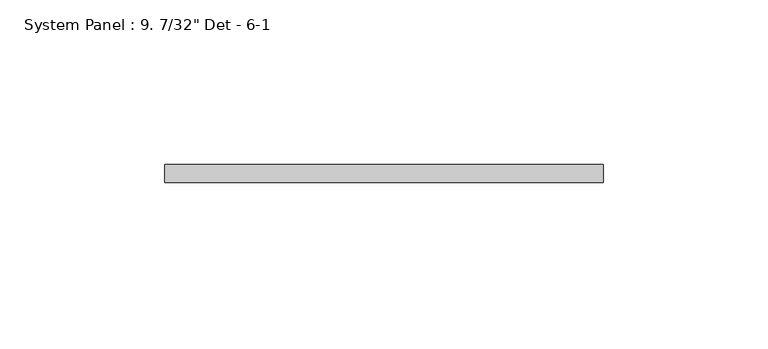
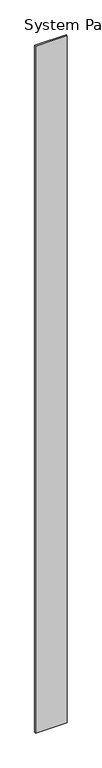
"""IFC4 building model written with IfcOpenShell, lengths in millimetres: plate geometry."""

import ifcopenshell
import ifcopenshell.guid

model = None  # the IFC model being written
_history = None  # IfcOwnerHistory: only IFC2X3 demands one
_inside = {}  # id of a spatial element -> (the spatial element, [elements in it])
_under = {}  # id of a project, library or spatial element -> (it, [spatial elements below it])
_declared = {}  # id of a project -> (the project, [libraries it declares])
_typed = {}  # id of a type object -> (the type object, [elements of that type])
_made_of = {}  # id of a material, layer set ... -> (it, [elements and type objects made of it])


def new_model(schema):
    """Start an empty IFC model of exactly this schema.

    Asked for "IFC4X3", IfcOpenShell would pick the latest addendum, in which some entities
    have other attributes; the version numbers below select the first issue.
    IFC2X3 requires an IfcOwnerHistory on every rooted entity: one is made here for all.
    """
    global model, _history
    if schema == "IFC4X3":
        model = ifcopenshell.file(schema_version=(4, 3, 0, 0))
    else:
        model = ifcopenshell.file(schema=schema)
    _inside.clear()
    _under.clear()
    _declared.clear()
    _typed.clear()
    _made_of.clear()
    _history = None
    if model.schema == "IFC2X3":
        org = make("IfcOrganization", Name="unknown")
        user = make(
            "IfcPersonAndOrganization",
            ThePerson=make("IfcPerson", FamilyName="unknown"),
            TheOrganization=org,
        )
        app = make(
            "IfcApplication",
            ApplicationDeveloper=org,
            Version="unknown",
            ApplicationFullName="unknown",
            ApplicationIdentifier="unknown",
        )
        _history = make(
            "IfcOwnerHistory",
            OwningUser=user,
            OwningApplication=app,
            ChangeAction="ADDED",
            CreationDate=0,
        )
    return model


def make(cls, **values):
    """One entity of the class cls with the attributes given. An attribute that is None is left unset."""
    return model.create_entity(
        cls, **{name: value for name, value in values.items() if value is not None}
    )


def rooted(cls, **values):
    """An entity with a GlobalId (a new one), such as an element, a storey or a relation."""
    return make(cls, GlobalId=ifcopenshell.guid.new(), OwnerHistory=_history, **values)


def si_unit(unit_type, name, prefix=None):
    """IfcSIUnit, for example si_unit("LENGTHUNIT", "METRE", prefix="MILLI")."""
    return make("IfcSIUnit", UnitType=unit_type, Prefix=prefix, Name=name)


def assignment(units):
    """IfcUnitAssignment: the units of a project."""
    return None if units is None else make("IfcUnitAssignment", Units=units)


def point(xyz):
    """IfcCartesianPoint."""
    return None if xyz is None else make("IfcCartesianPoint", Coordinates=xyz)


def direction(xyz):
    """IfcDirection."""
    return None if xyz is None else make("IfcDirection", DirectionRatios=xyz)


def frame(location, z_axis=None, x_axis=None):
    """IfcAxis2Placement3D, a coordinate frame: its origin and axes. An axis left out is left unset."""
    return make(
        "IfcAxis2Placement3D",
        Location=point(location),
        Axis=direction(z_axis),
        RefDirection=direction(x_axis),
    )


def origin():
    """The frame at (0, 0, 0) with its axes left unset."""
    return frame((0.0, 0.0, 0.0))


def origin_with_axes():
    """The frame at (0, 0, 0) with the z axis (0, 0, 1) and the x axis (1, 0, 0) written out."""
    return frame((0.0, 0.0, 0.0), z_axis=(0.0, 0.0, 1.0), x_axis=(1.0, 0.0, 0.0))


def place(relative_to, where):
    """IfcLocalPlacement: puts the frame where relative to a parent placement (None: the world)."""
    return make(
        "IfcLocalPlacement", PlacementRelTo=relative_to, RelativePlacement=where
    )


def context(
    kind, dimensions, precision=None, world=None, true_north=None, identifier=None
):
    """IfcGeometricRepresentationContext, for example the 3D "Model" context."""
    return make(
        "IfcGeometricRepresentationContext",
        ContextIdentifier=identifier,
        ContextType=kind,
        CoordinateSpaceDimension=dimensions,
        Precision=precision,
        WorldCoordinateSystem=world,
        TrueNorth=true_north,
    )


def project(units=None, contexts=None):
    """IfcProject with its units and contexts."""
    return rooted(
        "IfcProject",
        Name="project",
        RepresentationContexts=contexts,
        UnitsInContext=assignment(units),
    )


def spatial(cls, under=None, at=None, **own):
    """A site, building, storey or space (cls), placed at a placement, below another one or the project."""
    s = rooted(cls, ObjectPlacement=at, **own)
    if under is not None:
        _under.setdefault(under.id(), (under, []))[1].append(s)
    return s


def polyline(points):
    """IfcPolyline through the points."""
    return make("IfcPolyline", Points=[point(p) for p in points])


def outline(outer, holes=None, kind="AREA"):
    """IfcArbitraryClosedProfileDef: a profile drawn as a closed curve; with holes, ...WithVoids."""
    if holes is None:
        return make("IfcArbitraryClosedProfileDef", ProfileType=kind, OuterCurve=outer)
    return make(
        "IfcArbitraryProfileDefWithVoids",
        ProfileType=kind,
        OuterCurve=outer,
        InnerCurves=holes,
    )


def extrude(swept, where, along, depth):
    """IfcExtrudedAreaSolid: the profile swept, set in the frame where, extruded along a direction by depth."""
    return make(
        "IfcExtrudedAreaSolid",
        SweptArea=swept,
        Position=where,
        ExtrudedDirection=direction(along),
        Depth=depth,
    )


def shape(context_of_items, identifier, shape_type, items):
    """IfcShapeRepresentation: the items that make up one representation, for example the "Body"."""
    return make(
        "IfcShapeRepresentation",
        ContextOfItems=context_of_items,
        RepresentationIdentifier=identifier,
        RepresentationType=shape_type,
        Items=items,
    )


def source(mapping_origin, context_of_items, identifier, shape_type, items):
    """IfcRepresentationMap: a shape defined once, which mapped items show again and again."""
    return make(
        "IfcRepresentationMap",
        MappingOrigin=mapping_origin,
        MappedRepresentation=shape(context_of_items, identifier, shape_type, items),
    )


def transform(
    local_origin,
    x_axis=None,
    y_axis=None,
    z_axis=None,
    scale=None,
    scale2=None,
    scale3=None,
    uniform=True,
):
    """IfcCartesianTransformationOperator3D, or its non-uniform kind. x_axis, y_axis, z_axis: its Axis1, 2, 3."""
    if uniform:
        return make(
            "IfcCartesianTransformationOperator3D",
            Axis1=direction(x_axis),
            Axis2=direction(y_axis),
            LocalOrigin=point(local_origin),
            Scale=scale,
            Axis3=direction(z_axis),
        )
    return make(
        "IfcCartesianTransformationOperator3DnonUniform",
        Axis1=direction(x_axis),
        Axis2=direction(y_axis),
        LocalOrigin=point(local_origin),
        Scale=scale,
        Axis3=direction(z_axis),
        Scale2=scale2,
        Scale3=scale3,
    )


def mapped(mapping_source, mapping_target):
    """IfcMappedItem: shows the shape of a source again, moved by a transform."""
    return make(
        "IfcMappedItem", MappingSource=mapping_source, MappingTarget=mapping_target
    )


def made_of(thing, what):
    """Note that an element or type object is made of a material, layer set ...; save() writes the relation."""
    if what is not None:
        _made_of.setdefault(what.id(), (what, []))[1].append(thing)
    return thing


def element(
    cls,
    number,
    at=None,
    inside=None,
    cuts=None,
    type_object=None,
    material=None,
    context=None,
    identifier="Body",
    shape_type=None,
    held_by="IfcProductDefinitionShape",
    body=None,
    shapes=None,
    **own,
):
    """One element of the class cls, such as IfcWall. Its Tag is "e" and its number.

    at: its placement. inside: the storey or other place that contains it. cuts: it is an
    opening in that element (IfcRelVoidsElement). A single representation is given by context,
    identifier, shape_type and body (its items); several are given by shapes. held_by: the class
    of the entity that holds the representations. save() writes the other relations.
    """
    e = rooted(cls, Tag="e%d" % number, ObjectPlacement=at, **own)
    if body is not None:
        shapes = [shape(context, identifier, shape_type, body)]
    if shapes is not None:
        e.Representation = make(held_by, Representations=shapes)
    if inside is not None:
        _inside.setdefault(inside.id(), (inside, []))[1].append(e)
    if cuts is not None:
        rooted(
            "IfcRelVoidsElement", RelatingBuildingElement=cuts, RelatedOpeningElement=e
        )
    if type_object is not None:
        _typed.setdefault(type_object.id(), (type_object, []))[1].append(e)
    return made_of(e, material)


def aggregate(whole, parts):
    """IfcRelAggregates: a whole, such as a stair, and the parts it consists of."""
    return rooted("IfcRelAggregates", RelatingObject=whole, RelatedObjects=parts)


def save(model, path):
    """Write the relations noted so far, then the file.

    IfcRelAggregates (storeys below a building ...), IfcRelContainedInSpatialStructure (elements
    in a storey), IfcRelDefinesByType, IfcRelAssociatesMaterial and IfcRelDeclares: one each for
    every whole, place, type object, material and project.
    """
    for whole, parts in _under.values():
        aggregate(whole, parts)
    for where, things in _inside.values():
        rooted(
            "IfcRelContainedInSpatialStructure",
            RelatedElements=things,
            RelatingStructure=where,
        )
    for kind, things in _typed.values():
        rooted("IfcRelDefinesByType", RelatedObjects=things, RelatingType=kind)
    for what, things in _made_of.values():
        rooted("IfcRelAssociatesMaterial", RelatedObjects=things, RelatingMaterial=what)
    for by, libraries in _declared.values():
        rooted("IfcRelDeclares", RelatingContext=by, RelatedDefinitions=libraries)
    model.write(path)


def plate_17eb1b2b(model_context):
    return source(origin(), model_context, "Body", "SweptSolid", [
        extrude(outline(polyline([(66.675, -13.49375), (-66.675, -13.49375), (-66.675, -7.9375), (66.675, -7.9375), (66.675, -13.49375)])), origin_with_axes(), (0.0, 0.0, 1.0), 3048.0),
    ])


if __name__ == "__main__":
    model = new_model("IFC4")
    model_context = context("Model", 3, world=origin())
    ifc_project = project(units=[si_unit("LENGTHUNIT", "METRE", prefix="MILLI")], contexts=[model_context])
    site = spatial("IfcSite", under=ifc_project)
    building = spatial("IfcBuilding", under=site)
    placement = place(None, origin())
    plate_shape = plate_17eb1b2b(model_context)
    element("IfcPlate", 1, ObjectType="System Panel : 9. 7/32\" Det - 6-1", at=placement, inside=building, context=model_context, shape_type="MappedRepresentation", body=[
        mapped(plate_shape, transform((0.0, 0.0, 0.0), x_axis=(1.0, 0.0, 0.0), y_axis=(0.0, 1.0, 0.0), z_axis=(0.0, 0.0, 1.0))),
    ])
    save(model, "model.ifc")
